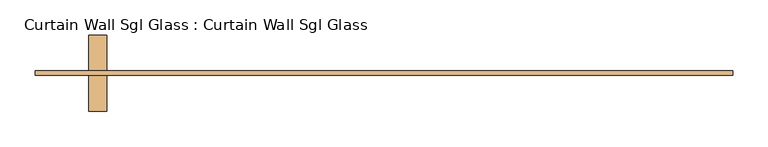
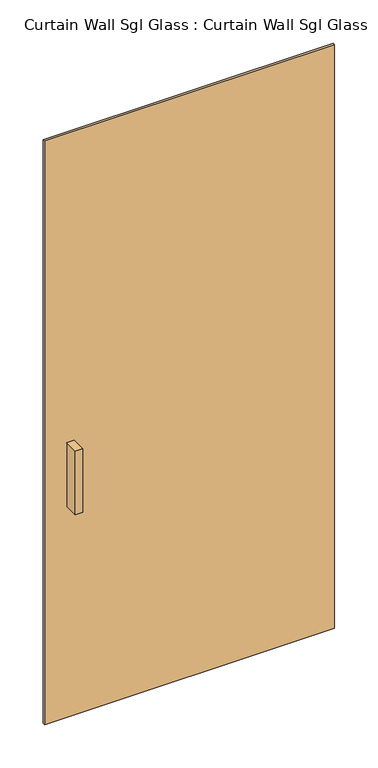
"""IFC4 building model written with IfcOpenShell, lengths in millimetres: door geometry, Curtain Wall Sgl Glass : Curtain Wall Sgl Glass."""

from ifc_helpers import new_model, si_unit, frame, origin, origin_with_axes, place, context, project, spatial, polyline, outline, extrude, source, transform, mapped, element, save


def curtain_wall_sgl_glass_curtain_wall_sgl_glass_95a0df94(model_context):
    return source(origin(), model_context, "Body", "SweptSolid", [
        extrude(outline(polyline([(-393.7, -53.975), (-419.1, -53.975), (-419.1, -3.175), (-393.7, -3.175), (-393.7, -53.975)])), frame((0.0, 0.0, 762.0), z_axis=(0.0, 0.0, 1.0), x_axis=(1.0, 0.0, 0.0)), (0.0, 0.0, 1.0), 228.6),
        extrude(outline(polyline([(-419.1, 53.975), (-393.7, 53.975), (-393.7, 3.175), (-419.1, 3.175), (-419.1, 53.975)])), frame((0.0, 0.0, 762.0), z_axis=(0.0, 0.0, 1.0), x_axis=(1.0, 0.0, 0.0)), (0.0, 0.0, 1.0), 228.6),
        extrude(outline(polyline([(495.3, 3.175), (495.3, -3.175), (-495.3, -3.175), (-495.3, 3.175), (495.3, 3.175)])), origin_with_axes(), (0.0, 0.0, 1.0), 2108.2),
    ])


if __name__ == "__main__":
    model = new_model("IFC4")
    model_context = context("Model", 3, world=origin())
    ifc_project = project(units=[si_unit("LENGTHUNIT", "METRE", prefix="MILLI")], contexts=[model_context])
    site = spatial("IfcSite", under=ifc_project)
    building = spatial("IfcBuilding", under=site)
    placement = place(None, origin())
    curtain_wall_sgl_glass_curtain_wall_sgl_glass_shape = curtain_wall_sgl_glass_curtain_wall_sgl_glass_95a0df94(model_context)
    element("IfcDoor", 1, ObjectType="Curtain Wall Sgl Glass : Curtain Wall Sgl Glass", at=placement, inside=building, context=model_context, shape_type="MappedRepresentation", body=[
        mapped(curtain_wall_sgl_glass_curtain_wall_sgl_glass_shape, transform((0.0, 0.0, 0.0), x_axis=(1.0, 0.0, 0.0), y_axis=(0.0, 1.0, 0.0), z_axis=(0.0, 0.0, 1.0))),
    ])
    save(model, "model.ifc")
